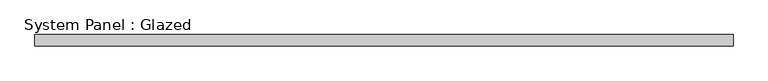
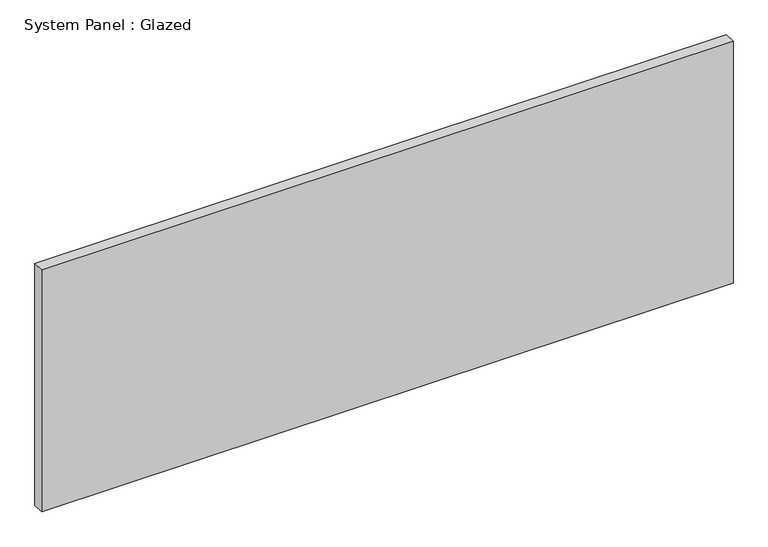
"""IFC4 building model written with IfcOpenShell, lengths in millimetres: plate geometry, System Panel : Glazed."""

from ifc_helpers import new_model, si_unit, origin, origin_with_axes, place, context, project, spatial, polyline, outline, extrude, source, transform, mapped, element, save


def system_panel_glazed_c3de319a(model_context):
    return source(origin(), model_context, "Body", "SweptSolid", [
        extrude(outline(polyline([(756.7501169, 24.5), (-756.7501169, 24.5), (-756.7501169, 49.5), (756.7501169, 49.5), (756.7501169, 24.5)])), origin_with_axes(), (0.0, 0.0, 1.0), 559.6),
    ])


if __name__ == "__main__":
    model = new_model("IFC4")
    model_context = context("Model", 3, world=origin())
    ifc_project = project(units=[si_unit("LENGTHUNIT", "METRE", prefix="MILLI")], contexts=[model_context])
    site = spatial("IfcSite", under=ifc_project)
    building = spatial("IfcBuilding", under=site)
    placement = place(None, origin())
    system_panel_glazed_shape = system_panel_glazed_c3de319a(model_context)
    element("IfcPlate", 1, ObjectType="System Panel : Glazed", at=placement, inside=building, context=model_context, shape_type="MappedRepresentation", body=[
        mapped(system_panel_glazed_shape, transform((0.0, 0.0, 0.0), x_axis=(1.0, 0.0, 0.0), y_axis=(0.0, 1.0, 0.0), z_axis=(0.0, 0.0, 1.0))),
    ])
    save(model, "model.ifc")
